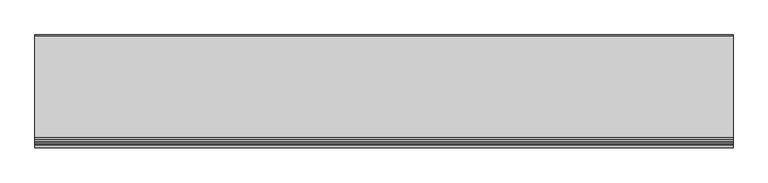
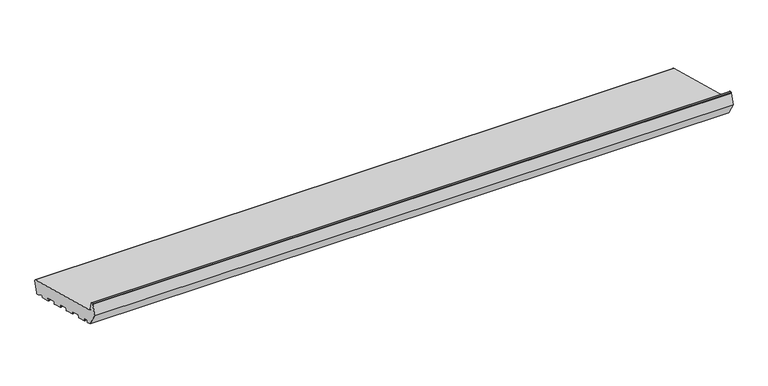
"""IFC4 building model written with IfcOpenShell, lengths in millimetres: proxy geometry."""

from ifc_helpers import new_model, si_unit, point, frame, frame_2d, origin, place, context, project, spatial, polyline, circle_curve, trimmed, segment, composite_curve, outline, extrude, source, transform, mapped, element, save


def generic_models_133560be(model_context):
    return source(origin(), model_context, "Body", "SweptSolid", [
        extrude(outline(composite_curve([segment(polyline([(24.372022, 5.5048126), (21.6552444, 6.2327709), (7.4870147, 14.8202172)]), True, "CONTINUOUS"), segment(trimmed(circle_curve(frame_2d((6.9686847, 13.9650365)), 1.0), [point((7.4870147, 14.8202172))], [point((6.0027589, 14.2238555))], True, "CARTESIAN"), True, "CONTINUOUS"), segment(polyline([(6.0027589, 14.2238555), (5.0535055, 10.6811935)]), True, "CONTINUOUS"), segment(trimmed(circle_curve(frame_2d((4.0875797, 10.9400125)), 1.0), [point((5.0535055, 10.6811935))], [point((3.8287606, 9.9740867))], False, "CARTESIAN"), True, "CONTINUOUS"), segment(polyline([(3.8287606, 9.9740867), (-18.3875334, 15.9269247)]), True, "CONTINUOUS"), segment(trimmed(circle_curve(frame_2d((-18.1287143, 16.8928505)), 1.0), [point((-18.3875334, 15.9269247))], [point((-19.0946402, 17.1516696))], False, "CARTESIAN"), True, "CONTINUOUS"), segment(polyline([(-19.0946402, 17.1516696), (-18.059364, 21.0153729)]), True, "CONTINUOUS"), segment(trimmed(circle_curve(frame_2d((-19.0252898, 21.2741919)), 1.0), [point((-18.059364, 21.0153729))], [point((-18.7664708, 22.2401178))], True, "CARTESIAN"), True, "CONTINUOUS"), segment(polyline([(-18.7664708, 22.2401178), (-41.9486906, 28.4517749)]), True, "CONTINUOUS"), segment(trimmed(circle_curve(frame_2d((-42.2075096, 27.485849)), 1.0), [point((-41.9486906, 28.4517749))], [point((-43.1734355, 27.7446681))], True, "CARTESIAN"), True, "CONTINUOUS"), segment(polyline([(-43.1734355, 27.7446681), (-44.2087117, 23.8809648)]), True, "CONTINUOUS"), segment(trimmed(circle_curve(frame_2d((-45.1746375, 24.1397838)), 1.0), [point((-44.2087117, 23.8809648))], [point((-45.4334565, 23.173858))], False, "CARTESIAN"), True, "CONTINUOUS"), segment(polyline([(-45.4334565, 23.173858), (-67.6497505, 29.126696)]), True, "CONTINUOUS"), segment(trimmed(circle_curve(frame_2d((-67.3909315, 30.0926218)), 1.0), [point((-67.6497505, 29.126696))], [point((-68.3568573, 30.3514409))], False, "CARTESIAN"), True, "CONTINUOUS"), segment(polyline([(-68.3568573, 30.3514409), (-67.3215811, 34.2151442)]), True, "CONTINUOUS"), segment(trimmed(circle_curve(frame_2d((-68.287507, 34.4739632)), 1.0), [point((-67.3215811, 34.2151442))], [point((-68.0286879, 35.4398891))], True, "CARTESIAN"), True, "CONTINUOUS"), segment(polyline([(-68.0286879, 35.4398891), (-91.2109077, 41.6515462)]), True, "CONTINUOUS"), segment(trimmed(circle_curve(frame_2d((-91.4697268, 40.6856203)), 1.0), [point((-91.2109077, 41.6515462))], [point((-92.4356526, 40.9444394))], True, "CARTESIAN"), True, "CONTINUOUS"), segment(polyline([(-92.4356526, 40.9444394), (-93.4709288, 37.0807361)]), True, "CONTINUOUS"), segment(trimmed(circle_curve(frame_2d((-94.4368546, 37.3395551)), 1.0), [point((-93.4709288, 37.0807361))], [point((-94.6956737, 36.3736293))], False, "CARTESIAN"), True, "CONTINUOUS"), segment(polyline([(-94.6956737, 36.3736293), (-116.9119677, 42.3264673)]), True, "CONTINUOUS"), segment(trimmed(circle_curve(frame_2d((-116.6531486, 43.2923931)), 1.0), [point((-116.9119677, 42.3264673))], [point((-117.6190745, 43.5512122))], False, "CARTESIAN"), True, "CONTINUOUS"), segment(polyline([(-117.6190745, 43.5512122), (-116.5837983, 47.4149155)]), True, "CONTINUOUS"), segment(trimmed(circle_curve(frame_2d((-117.5497241, 47.6737345)), 1.0), [point((-116.5837983, 47.4149155))], [point((-117.2909051, 48.6396604))], True, "CARTESIAN"), True, "CONTINUOUS"), segment(polyline([(-117.2909051, 48.6396604), (-140.4731249, 54.8513175)]), True, "CONTINUOUS"), segment(trimmed(circle_curve(frame_2d((-140.7319439, 53.8853916)), 1.0), [point((-140.4731249, 54.8513175))], [point((-141.6978698, 54.1442107))], True, "CARTESIAN"), True, "CONTINUOUS"), segment(polyline([(-141.6978698, 54.1442107), (-142.7331459, 50.2805074)]), True, "CONTINUOUS"), segment(trimmed(circle_curve(frame_2d((-143.6990718, 50.5393264)), 1.0), [point((-142.7331459, 50.2805074))], [point((-143.9578908, 49.5734006))], False, "CARTESIAN"), True, "CONTINUOUS"), segment(polyline([(-143.9578908, 49.5734006), (-166.1741848, 55.5262386)]), True, "CONTINUOUS"), segment(trimmed(circle_curve(frame_2d((-165.9153658, 56.4921644)), 1.0), [point((-166.1741848, 55.5262386))], [point((-166.8812916, 56.7509835))], False, "CARTESIAN"), True, "CONTINUOUS"), segment(polyline([(-166.8812916, 56.7509835), (-165.8460154, 60.6146868)]), True, "CONTINUOUS"), segment(trimmed(circle_curve(frame_2d((-166.8119412, 60.8735058)), 1.0), [point((-165.8460154, 60.6146868))], [point((-166.5531222, 61.8394317))], True, "CARTESIAN"), True, "CONTINUOUS"), segment(polyline([(-166.5531222, 61.8394317), (-176.2123805, 64.4276221)]), True, "CONTINUOUS"), segment(trimmed(circle_curve(frame_2d((-176.4711995, 63.4616963)), 1.0), [point((-176.2123805, 64.4276221))], [point((-177.4371253, 63.7205153))], True, "CARTESIAN"), True, "CONTINUOUS"), segment(polyline([(-177.4371253, 63.7205153), (-178.4724015, 59.856812)]), True, "CONTINUOUS"), segment(trimmed(circle_curve(frame_2d((-179.4383273, 60.1156311)), 1.0), [point((-178.4724015, 59.856812))], [point((-179.6971464, 59.1497053))], False, "CARTESIAN"), True, "CONTINUOUS"), segment(polyline([(-179.6971464, 59.1497053), (-190.3223305, 61.9967148), (-208.0, 92.6153365), (-201.4291321, 117.1381494)]), True, "CONTINUOUS"), segment(trimmed(circle_curve(frame_2d((-199.9802434, 116.7499208)), 1.5), [point((-201.4291321, 117.1381494))], [point((-199.9802434, 118.2499208))], False, "CARTESIAN"), True, "CONTINUOUS"), segment(polyline([(-199.9802434, 118.2499208), (-196.6368689, 118.2499208)]), True, "CONTINUOUS"), segment(trimmed(circle_curve(frame_2d((-196.6368689, 116.7499208)), 1.5), [point((-196.6368689, 118.2499208))], [point((-195.1879801, 117.1381494))], False, "CARTESIAN"), True, "CONTINUOUS"), segment(polyline([(-195.1879801, 117.1381494), (-190.4052841, 99.2888846)]), True, "CONTINUOUS"), segment(trimmed(circle_curve(frame_2d((-184.6097291, 100.8417989)), 6.0), [point((-190.4052841, 99.2888846))], [point((-186.1626434, 95.0462439))], True, "CARTESIAN"), True, "CONTINUOUS"), segment(polyline([(-186.1626434, 95.0462439), (32.6542315, 36.414439)]), True, "CONTINUOUS"), segment(trimmed(circle_curve(frame_2d((31.8777743, 33.5166615)), 3.0), [point((32.6542315, 36.414439))], [point((34.7755518, 32.7402044))], False, "CARTESIAN"), True, "CONTINUOUS"), segment(polyline([(34.7755518, 32.7402044), (28.0462566, 7.6261329)]), True, "CONTINUOUS"), segment(trimmed(circle_curve(frame_2d((25.1484791, 8.40259)), 3.0), [point((28.0462566, 7.6261329))], [point((24.372022, 5.5048126))], False, "CARTESIAN"), True, "CONTINUOUS")], self_intersect=False)), frame((0.0, 0.0, 0.0), z_axis=(1.0, 0.0, 0.0), x_axis=(0.0, 1.0, 0.0)), (0.0, 0.0, 1.0), 1500.0),
    ])


if __name__ == "__main__":
    model = new_model("IFC4")
    model_context = context("Model", 3, world=origin())
    ifc_project = project(units=[si_unit("LENGTHUNIT", "METRE", prefix="MILLI")], contexts=[model_context])
    site = spatial("IfcSite", under=ifc_project)
    building = spatial("IfcBuilding", under=site)
    placement = place(None, origin())
    generic_models_shape = generic_models_133560be(model_context)
    element("IfcBuildingElementProxy", 1, Name="Generic Models", at=placement, inside=building, context=model_context, shape_type="MappedRepresentation", body=[
        mapped(generic_models_shape, transform((0.0, 0.0, 0.0), x_axis=(1.0, 0.0, 0.0), y_axis=(0.0, 1.0, 0.0), z_axis=(0.0, 0.0, 1.0))),
    ])
    save(model, "model.ifc")
